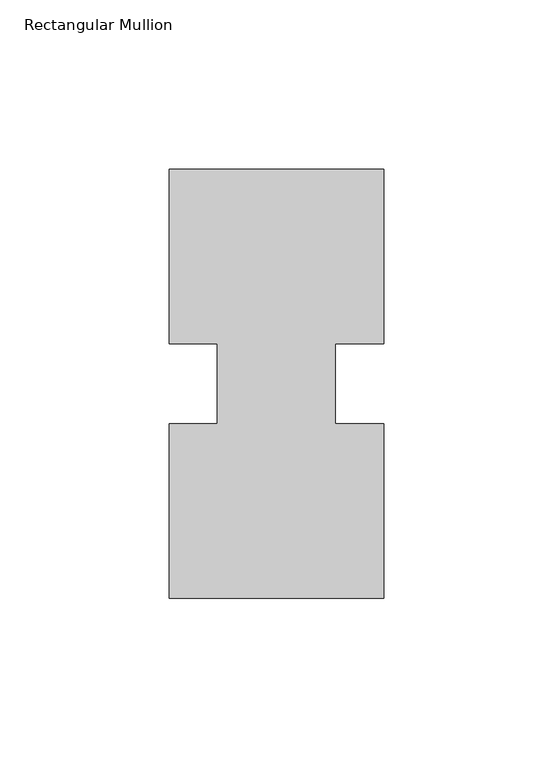
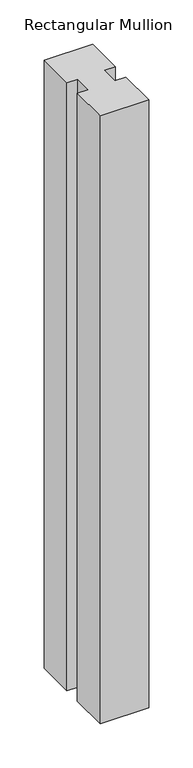
"""IFC4 building model written with IfcOpenShell, lengths in millimetres: member geometry, Rectangular Mullion."""

from ifc_helpers import new_model, si_unit, frame, origin, place, context, project, spatial, polyline, outline, extrude, source, transform, mapped, element, save


def rectangular_mullion_36be7ae8(model_context):
    return source(origin(), model_context, "Body", "SweptSolid", [
        extrude(outline(polyline([(-31.75, 127.00635), (31.75, 127.00635), (31.75, 75.40625), (17.4625, 75.40625), (17.4625, 51.60645), (31.75, 51.60645), (31.75, 0.00635), (-31.75, 0.00635), (-31.75, 51.60645), (-17.4625, 51.60645), (-17.4625, 75.40625), (-31.75, 75.40625), (-31.75, 127.00635)])), frame((0.0, 0.0, -841.375), z_axis=(0.0, 0.0, 1.0), x_axis=(1.0, 0.0, 0.0)), (0.0, 0.0, 1.0), 841.375),
    ])


if __name__ == "__main__":
    model = new_model("IFC4")
    model_context = context("Model", 3, world=origin())
    ifc_project = project(units=[si_unit("LENGTHUNIT", "METRE", prefix="MILLI")], contexts=[model_context])
    site = spatial("IfcSite", under=ifc_project)
    building = spatial("IfcBuilding", under=site)
    placement = place(None, origin())
    rectangular_mullion_shape = rectangular_mullion_36be7ae8(model_context)
    element("IfcMember", 1, ObjectType="Rectangular Mullion", at=placement, inside=building, context=model_context, shape_type="MappedRepresentation", body=[
        mapped(rectangular_mullion_shape, transform((0.0, 0.0, 0.0), x_axis=(1.0, 0.0, 0.0), y_axis=(0.0, 1.0, 0.0), z_axis=(0.0, 0.0, 1.0))),
    ])
    save(model, "model.ifc")
